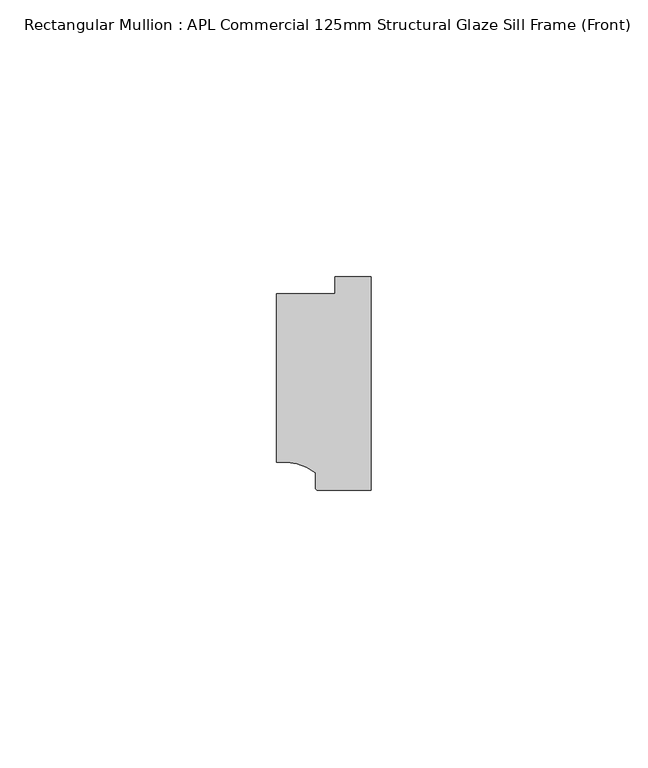
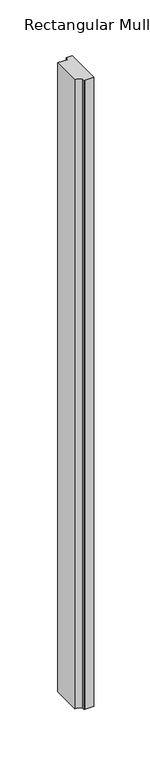
"""IFC4 building model written with IfcOpenShell, lengths in millimetres: member geometry, Rectangular Mullion : APL Commercial 125mm Structural Glaze Sill Frame (Front)."""

from ifc_helpers import new_model, si_unit, point, frame, frame_2d, origin, place, context, project, spatial, polyline, circle_curve, trimmed, segment, composite_curve, outline, extrude, source, transform, mapped, element, save


def rectangular_mullion_apl_commercial_125mm_structural_glaze_4c01d805(model_context):
    return source(origin(), model_context, "Body", "SweptSolid", [
        extrude(outline(composite_curve([segment(polyline([(-16.999942, -15.3793144), (-16.999942, 15.0004332), (-6.5000029, 15.0004332), (-6.5000029, 18.0281616), (0.0, 18.0281616), (0.0, -20.49978), (-9.5000029, -20.49978)]), True, "CONTINUOUS"), segment(trimmed(circle_curve(frame_2d((-9.5000029, -19.99978)), 0.5), [point((-9.5000029, -20.49978))], [point((-10.0, -19.9980675))], False, "CARTESIAN"), True, "CONTINUOUS"), segment(polyline([(-10.0, -19.9980675), (-10.0, -17.3120901)]), True, "CONTINUOUS"), segment(trimmed(circle_curve(frame_2d((-16.1098048, -25.7977481)), 10.4563907), [point((-10.0, -17.3120901))], [point((-16.999942, -15.3793144))], True, "CARTESIAN"), True, "CONTINUOUS")], self_intersect=False)), frame((0.0, 0.0, -688.0250761), z_axis=(0.0, 0.0, 1.0), x_axis=(1.0, 0.0, 0.0)), (0.0, 0.0, 1.0), 688.0250761),
    ])


if __name__ == "__main__":
    model = new_model("IFC4")
    model_context = context("Model", 3, world=origin())
    ifc_project = project(units=[si_unit("LENGTHUNIT", "METRE", prefix="MILLI")], contexts=[model_context])
    site = spatial("IfcSite", under=ifc_project)
    building = spatial("IfcBuilding", under=site)
    placement = place(None, origin())
    rectangular_mullion_apl_commercial_125mm_structural_glaze_shape = rectangular_mullion_apl_commercial_125mm_structural_glaze_4c01d805(model_context)
    element("IfcMember", 1, ObjectType="Rectangular Mullion : APL Commercial 125mm Structural Glaze Sill Frame (Front)", at=placement, inside=building, context=model_context, shape_type="MappedRepresentation", body=[
        mapped(rectangular_mullion_apl_commercial_125mm_structural_glaze_shape, transform((0.0, 0.0, 0.0), x_axis=(1.0, 0.0, 0.0), y_axis=(0.0, 1.0, 0.0), z_axis=(0.0, 0.0, 1.0))),
    ])
    save(model, "model.ifc")
